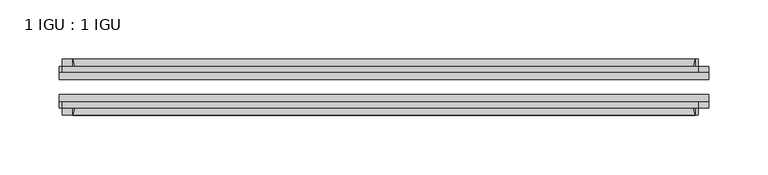
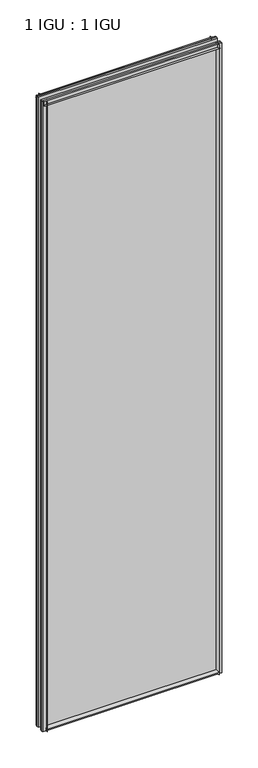
"""IFC4 building model written with IfcOpenShell, lengths in millimetres: plate geometry, 1 IGU : 1 IGU."""

import ifcopenshell
import ifcopenshell.guid

model = None  # the IFC model being written
_history = None  # IfcOwnerHistory: only IFC2X3 demands one
_inside = {}  # id of a spatial element -> (the spatial element, [elements in it])
_under = {}  # id of a project, library or spatial element -> (it, [spatial elements below it])
_declared = {}  # id of a project -> (the project, [libraries it declares])
_typed = {}  # id of a type object -> (the type object, [elements of that type])
_made_of = {}  # id of a material, layer set ... -> (it, [elements and type objects made of it])


def new_model(schema):
    """Start an empty IFC model of exactly this schema.

    Asked for "IFC4X3", IfcOpenShell would pick the latest addendum, in which some entities
    have other attributes; the version numbers below select the first issue.
    IFC2X3 requires an IfcOwnerHistory on every rooted entity: one is made here for all.
    """
    global model, _history
    if schema == "IFC4X3":
        model = ifcopenshell.file(schema_version=(4, 3, 0, 0))
    else:
        model = ifcopenshell.file(schema=schema)
    _inside.clear()
    _under.clear()
    _declared.clear()
    _typed.clear()
    _made_of.clear()
    _history = None
    if model.schema == "IFC2X3":
        org = make("IfcOrganization", Name="unknown")
        user = make(
            "IfcPersonAndOrganization",
            ThePerson=make("IfcPerson", FamilyName="unknown"),
            TheOrganization=org,
        )
        app = make(
            "IfcApplication",
            ApplicationDeveloper=org,
            Version="unknown",
            ApplicationFullName="unknown",
            ApplicationIdentifier="unknown",
        )
        _history = make(
            "IfcOwnerHistory",
            OwningUser=user,
            OwningApplication=app,
            ChangeAction="ADDED",
            CreationDate=0,
        )
    return model


def make(cls, **values):
    """One entity of the class cls with the attributes given. An attribute that is None is left unset."""
    return model.create_entity(
        cls, **{name: value for name, value in values.items() if value is not None}
    )


def rooted(cls, **values):
    """An entity with a GlobalId (a new one), such as an element, a storey or a relation."""
    return make(cls, GlobalId=ifcopenshell.guid.new(), OwnerHistory=_history, **values)


def si_unit(unit_type, name, prefix=None):
    """IfcSIUnit, for example si_unit("LENGTHUNIT", "METRE", prefix="MILLI")."""
    return make("IfcSIUnit", UnitType=unit_type, Prefix=prefix, Name=name)


def assignment(units):
    """IfcUnitAssignment: the units of a project."""
    return None if units is None else make("IfcUnitAssignment", Units=units)


def point(xyz):
    """IfcCartesianPoint."""
    return None if xyz is None else make("IfcCartesianPoint", Coordinates=xyz)


def direction(xyz):
    """IfcDirection."""
    return None if xyz is None else make("IfcDirection", DirectionRatios=xyz)


def frame(location, z_axis=None, x_axis=None):
    """IfcAxis2Placement3D, a coordinate frame: its origin and axes. An axis left out is left unset."""
    return make(
        "IfcAxis2Placement3D",
        Location=point(location),
        Axis=direction(z_axis),
        RefDirection=direction(x_axis),
    )


def frame_2d(location, x_axis=None):
    """IfcAxis2Placement2D, a coordinate frame in the plane: its origin and x axis."""
    return make(
        "IfcAxis2Placement2D", Location=point(location), RefDirection=direction(x_axis)
    )


def origin():
    """The frame at (0, 0, 0) with its axes left unset."""
    return frame((0.0, 0.0, 0.0))


def place(relative_to, where):
    """IfcLocalPlacement: puts the frame where relative to a parent placement (None: the world)."""
    return make(
        "IfcLocalPlacement", PlacementRelTo=relative_to, RelativePlacement=where
    )


def context(
    kind, dimensions, precision=None, world=None, true_north=None, identifier=None
):
    """IfcGeometricRepresentationContext, for example the 3D "Model" context."""
    return make(
        "IfcGeometricRepresentationContext",
        ContextIdentifier=identifier,
        ContextType=kind,
        CoordinateSpaceDimension=dimensions,
        Precision=precision,
        WorldCoordinateSystem=world,
        TrueNorth=true_north,
    )


def project(units=None, contexts=None):
    """IfcProject with its units and contexts."""
    return rooted(
        "IfcProject",
        Name="project",
        RepresentationContexts=contexts,
        UnitsInContext=assignment(units),
    )


def spatial(cls, under=None, at=None, **own):
    """A site, building, storey or space (cls), placed at a placement, below another one or the project."""
    s = rooted(cls, ObjectPlacement=at, **own)
    if under is not None:
        _under.setdefault(under.id(), (under, []))[1].append(s)
    return s


def polyline(points):
    """IfcPolyline through the points."""
    return make("IfcPolyline", Points=[point(p) for p in points])


def circle_curve(where, radius):
    """IfcCircle in the frame where."""
    return make("IfcCircle", Position=where, Radius=radius)


def trimmed(basis, trim1, trim2, sense, master):
    """IfcTrimmedCurve: the piece of a basis curve between two trims."""
    return make(
        "IfcTrimmedCurve",
        BasisCurve=basis,
        Trim1=trim1,
        Trim2=trim2,
        SenseAgreement=sense,
        MasterRepresentation=master,
    )


def segment(curve, same_sense, transition):
    """IfcCompositeCurveSegment."""
    return make(
        "IfcCompositeCurveSegment",
        Transition=transition,
        SameSense=same_sense,
        ParentCurve=curve,
    )


def composite_curve(segments, self_intersect=None):
    """IfcCompositeCurve: segments joined end to end."""
    return make("IfcCompositeCurve", Segments=segments, SelfIntersect=self_intersect)


def outline(outer, holes=None, kind="AREA"):
    """IfcArbitraryClosedProfileDef: a profile drawn as a closed curve; with holes, ...WithVoids."""
    if holes is None:
        return make("IfcArbitraryClosedProfileDef", ProfileType=kind, OuterCurve=outer)
    return make(
        "IfcArbitraryProfileDefWithVoids",
        ProfileType=kind,
        OuterCurve=outer,
        InnerCurves=holes,
    )


def extrude(swept, where, along, depth):
    """IfcExtrudedAreaSolid: the profile swept, set in the frame where, extruded along a direction by depth."""
    return make(
        "IfcExtrudedAreaSolid",
        SweptArea=swept,
        Position=where,
        ExtrudedDirection=direction(along),
        Depth=depth,
    )


def shape(context_of_items, identifier, shape_type, items):
    """IfcShapeRepresentation: the items that make up one representation, for example the "Body"."""
    return make(
        "IfcShapeRepresentation",
        ContextOfItems=context_of_items,
        RepresentationIdentifier=identifier,
        RepresentationType=shape_type,
        Items=items,
    )


def source(mapping_origin, context_of_items, identifier, shape_type, items):
    """IfcRepresentationMap: a shape defined once, which mapped items show again and again."""
    return make(
        "IfcRepresentationMap",
        MappingOrigin=mapping_origin,
        MappedRepresentation=shape(context_of_items, identifier, shape_type, items),
    )


def transform(
    local_origin,
    x_axis=None,
    y_axis=None,
    z_axis=None,
    scale=None,
    scale2=None,
    scale3=None,
    uniform=True,
):
    """IfcCartesianTransformationOperator3D, or its non-uniform kind. x_axis, y_axis, z_axis: its Axis1, 2, 3."""
    if uniform:
        return make(
            "IfcCartesianTransformationOperator3D",
            Axis1=direction(x_axis),
            Axis2=direction(y_axis),
            LocalOrigin=point(local_origin),
            Scale=scale,
            Axis3=direction(z_axis),
        )
    return make(
        "IfcCartesianTransformationOperator3DnonUniform",
        Axis1=direction(x_axis),
        Axis2=direction(y_axis),
        LocalOrigin=point(local_origin),
        Scale=scale,
        Axis3=direction(z_axis),
        Scale2=scale2,
        Scale3=scale3,
    )


def mapped(mapping_source, mapping_target):
    """IfcMappedItem: shows the shape of a source again, moved by a transform."""
    return make(
        "IfcMappedItem", MappingSource=mapping_source, MappingTarget=mapping_target
    )


def made_of(thing, what):
    """Note that an element or type object is made of a material, layer set ...; save() writes the relation."""
    if what is not None:
        _made_of.setdefault(what.id(), (what, []))[1].append(thing)
    return thing


def element(
    cls,
    number,
    at=None,
    inside=None,
    cuts=None,
    type_object=None,
    material=None,
    context=None,
    identifier="Body",
    shape_type=None,
    held_by="IfcProductDefinitionShape",
    body=None,
    shapes=None,
    **own,
):
    """One element of the class cls, such as IfcWall. Its Tag is "e" and its number.

    at: its placement. inside: the storey or other place that contains it. cuts: it is an
    opening in that element (IfcRelVoidsElement). A single representation is given by context,
    identifier, shape_type and body (its items); several are given by shapes. held_by: the class
    of the entity that holds the representations. save() writes the other relations.
    """
    e = rooted(cls, Tag="e%d" % number, ObjectPlacement=at, **own)
    if body is not None:
        shapes = [shape(context, identifier, shape_type, body)]
    if shapes is not None:
        e.Representation = make(held_by, Representations=shapes)
    if inside is not None:
        _inside.setdefault(inside.id(), (inside, []))[1].append(e)
    if cuts is not None:
        rooted(
            "IfcRelVoidsElement", RelatingBuildingElement=cuts, RelatedOpeningElement=e
        )
    if type_object is not None:
        _typed.setdefault(type_object.id(), (type_object, []))[1].append(e)
    return made_of(e, material)


def aggregate(whole, parts):
    """IfcRelAggregates: a whole, such as a stair, and the parts it consists of."""
    return rooted("IfcRelAggregates", RelatingObject=whole, RelatedObjects=parts)


def save(model, path):
    """Write the relations noted so far, then the file.

    IfcRelAggregates (storeys below a building ...), IfcRelContainedInSpatialStructure (elements
    in a storey), IfcRelDefinesByType, IfcRelAssociatesMaterial and IfcRelDeclares: one each for
    every whole, place, type object, material and project.
    """
    for whole, parts in _under.values():
        aggregate(whole, parts)
    for where, things in _inside.values():
        rooted(
            "IfcRelContainedInSpatialStructure",
            RelatedElements=things,
            RelatingStructure=where,
        )
    for kind, things in _typed.values():
        rooted("IfcRelDefinesByType", RelatedObjects=things, RelatingType=kind)
    for what, things in _made_of.values():
        rooted("IfcRelAssociatesMaterial", RelatedObjects=things, RelatingMaterial=what)
    for by, libraries in _declared.values():
        rooted("IfcRelDeclares", RelatingContext=by, RelatedDefinitions=libraries)
    model.write(path)


def plate_1_igu_1_igu_4a62d1e0(model_context):
    return source(origin(), model_context, "Body", "SweptSolid", [
        extrude(outline(composite_curve([segment(polyline([(-74.6252, -8.73125), (-74.6252, -0.0097454), (-80.6504332, -0.0097454)]), True, "CONTINUOUS"), segment(trimmed(circle_curve(frame_2d((-86.2258203, 32.2797688)), 32.7673262), [point((-80.6504332, -0.0097454))], [point((-69.85, 3.8979053))], True, "CARTESIAN"), True, "CONTINUOUS"), segment(polyline([(-69.85, 3.8979053), (-69.85, -8.73125), (-74.6252, -8.73125)]), True, "CONTINUOUS")], self_intersect=False)), frame((-262.0708665, 0.0, 0.0), z_axis=(1.0, 0.0, 0.0), x_axis=(0.0, 1.0, 0.0)), (0.0, 0.0, 1.0), 524.141733),
        extrude(outline(composite_curve([segment(polyline([(-39.6748, -8.73125), (-44.45, -8.73125), (-44.45, 3.8979053)]), True, "CONTINUOUS"), segment(trimmed(circle_curve(frame_2d((-28.0741797, 32.2797688)), 32.7673262), [point((-44.45, 3.8979053))], [point((-33.6495668, -0.0097454))], True, "CARTESIAN"), True, "CONTINUOUS"), segment(polyline([(-33.6495668, -0.0097454), (-39.6748, -0.0097454), (-39.6748, -8.73125)]), True, "CONTINUOUS")], self_intersect=False)), frame((-262.0708665, 0.0, 0.0), z_axis=(1.0, 0.0, 0.0), x_axis=(0.0, 1.0, 0.0)), (0.0, 0.0, 1.0), 524.141733),
        extrude(outline(composite_curve([segment(polyline([(-80.5942, 2012.1562438), (-74.6252, 2012.1562438), (-74.6252, 2023.2687438), (-69.85, 2023.2687438), (-69.85, 2008.2583533)]), True, "CONTINUOUS"), segment(trimmed(circle_curve(frame_2d((-86.2258203, 1979.8764898)), 32.7673262), [point((-69.85, 2008.2583533))], [point((-80.5942, 2012.1562438))], True, "CARTESIAN"), True, "CONTINUOUS")], self_intersect=False)), frame((-270.5836052, 0.0, 0.0), z_axis=(1.0, 0.0, 0.0), x_axis=(0.0, 1.0, 0.0)), (0.0, 0.0, 1.0), 535.2004331),
        extrude(outline(composite_curve([segment(polyline([(-39.6748, 2023.2687438), (-39.6748, 2012.1562438), (-33.7058, 2012.1562438)]), True, "CONTINUOUS"), segment(trimmed(circle_curve(frame_2d((-28.0741797, 1979.8764898)), 32.7673262), [point((-33.7058, 2012.1562438))], [point((-44.45, 2008.2583533))], True, "CARTESIAN"), True, "CONTINUOUS"), segment(polyline([(-44.45, 2008.2583533), (-44.45, 2023.2687438), (-39.6748, 2023.2687438)]), True, "CONTINUOUS")], self_intersect=False)), frame((-270.5836052, 0.0, 0.0), z_axis=(1.0, 0.0, 0.0), x_axis=(0.0, 1.0, 0.0)), (0.0, 0.0, 1.0), 535.2004331),
        extrude(outline(composite_curve([segment(polyline([(273.1833665, -39.6748), (273.1833665, -44.45), (258.172976, -44.45)]), True, "CONTINUOUS"), segment(trimmed(circle_curve(frame_2d((229.7911126, -28.0741797)), 32.7673262), [point((258.172976, -44.45))], [point((262.0708665, -33.7058))], True, "CARTESIAN"), True, "CONTINUOUS"), segment(polyline([(262.0708665, -33.7058), (262.0708665, -39.6748), (273.1833665, -39.6748)]), True, "CONTINUOUS")], self_intersect=False)), frame((0.0, 0.0, -8.73125), z_axis=(0.0, 0.0, 1.0), x_axis=(1.0, 0.0, 0.0)), (0.0, 0.0, 1.0), 2031.9999938),
        extrude(outline(composite_curve([segment(polyline([(273.1833665, -69.85), (273.1833665, -74.6252), (262.0708665, -74.6252), (262.0708665, -80.5942)]), True, "CONTINUOUS"), segment(trimmed(circle_curve(frame_2d((229.7911126, -86.2258203)), 32.7673262), [point((262.0708665, -80.5942))], [point((258.172976, -69.85))], True, "CARTESIAN"), True, "CONTINUOUS"), segment(polyline([(258.172976, -69.85), (273.1833665, -69.85)]), True, "CONTINUOUS")], self_intersect=False)), frame((0.0, 0.0, -8.73125), z_axis=(0.0, 0.0, 1.0), x_axis=(1.0, 0.0, 0.0)), (0.0, 0.0, 1.0), 2031.9999938),
        extrude(outline(composite_curve([segment(polyline([(-273.1833665, -39.6748), (-262.0708665, -39.6748), (-262.0708665, -33.7058)]), True, "CONTINUOUS"), segment(trimmed(circle_curve(frame_2d((-229.7911126, -28.0741797)), 32.7673262), [point((-262.0708665, -33.7058))], [point((-258.172976, -44.45))], True, "CARTESIAN"), True, "CONTINUOUS"), segment(polyline([(-258.172976, -44.45), (-273.1833665, -44.45), (-273.1833665, -39.6748)]), True, "CONTINUOUS")], self_intersect=False)), frame((0.0, 0.0, -8.73125), z_axis=(0.0, 0.0, 1.0), x_axis=(1.0, 0.0, 0.0)), (0.0, 0.0, 1.0), 2031.9999938),
        extrude(outline(composite_curve([segment(polyline([(-273.1833665, -74.6252), (-273.1833665, -69.85), (-258.172976, -69.85)]), True, "CONTINUOUS"), segment(trimmed(circle_curve(frame_2d((-229.7911126, -86.2258203)), 32.7673262), [point((-258.172976, -69.85))], [point((-262.0708665, -80.5942))], True, "CARTESIAN"), True, "CONTINUOUS"), segment(polyline([(-262.0708665, -80.5942), (-262.0708665, -74.6252), (-273.1833665, -74.6252)]), True, "CONTINUOUS")], self_intersect=False)), frame((0.0, 0.0, -8.73125), z_axis=(0.0, 0.0, 1.0), x_axis=(1.0, 0.0, 0.0)), (0.0, 0.0, 1.0), 2031.9999938),
        extrude(outline(polyline([(-273.1833665, -69.85), (-273.1833665, -63.5508), (273.1833665, -63.5508), (273.1833665, -69.85), (-273.1833665, -69.85)])), frame((0.0, 0.0, -8.73125), z_axis=(0.0, 0.0, 1.0), x_axis=(1.0, 0.0, 0.0)), (0.0, 0.0, 1.0), 2031.9999938),
        extrude(outline(polyline([(273.1833665, -50.7492), (-273.1833665, -50.7492), (-273.1833665, -44.45), (273.1833665, -44.45), (273.1833665, -50.7492)])), frame((0.0, 0.0, -8.73125), z_axis=(0.0, 0.0, 1.0), x_axis=(1.0, 0.0, 0.0)), (0.0, 0.0, 1.0), 2031.9999938),
    ])


if __name__ == "__main__":
    model = new_model("IFC4")
    model_context = context("Model", 3, world=origin())
    ifc_project = project(units=[si_unit("LENGTHUNIT", "METRE", prefix="MILLI")], contexts=[model_context])
    site = spatial("IfcSite", under=ifc_project)
    building = spatial("IfcBuilding", under=site)
    placement = place(None, origin())
    plate_1_igu_1_igu_shape = plate_1_igu_1_igu_4a62d1e0(model_context)
    element("IfcPlate", 1, ObjectType="1 IGU : 1 IGU", at=placement, inside=building, context=model_context, shape_type="MappedRepresentation", body=[
        mapped(plate_1_igu_1_igu_shape, transform((0.0, 0.0, 0.0), x_axis=(1.0, 0.0, 0.0), y_axis=(0.0, 1.0, 0.0), z_axis=(0.0, 0.0, 1.0))),
    ])
    save(model, "model.ifc")
